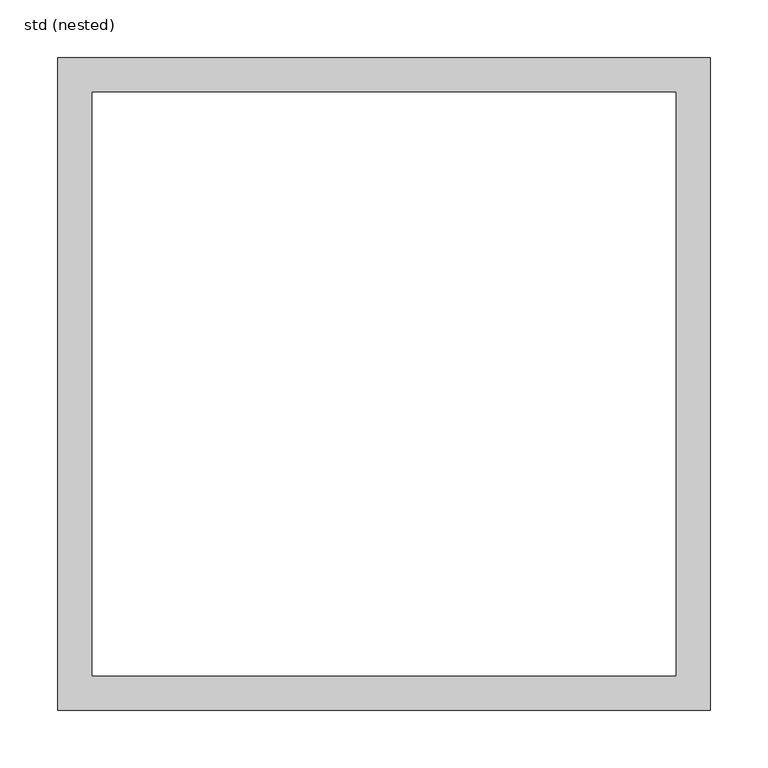
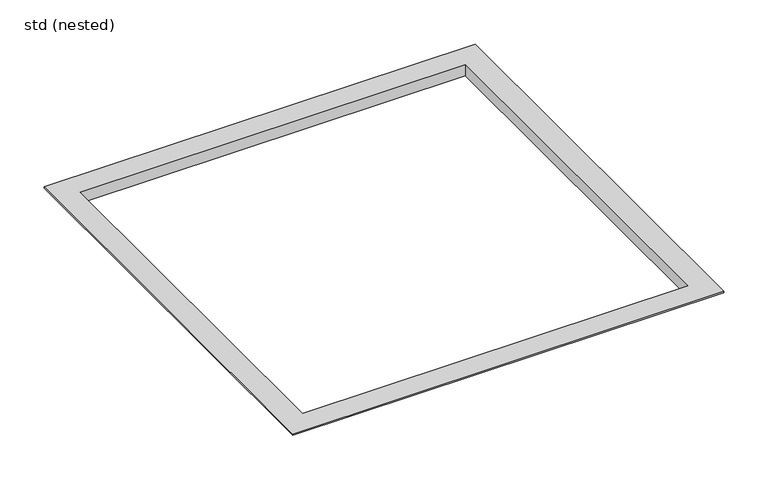
"""IFC4 building model written with IfcOpenShell, lengths in millimetres: furniture geometry, std (nested)."""

from ifc_helpers import new_model, si_unit, origin, place, context, project, spatial, faceted_brep, source, transform, mapped, element, save


def std_nested_dbb9a782(model_context):
    return source(origin(), model_context, "Body", "Brep", [
        faceted_brep([(254.5, 254.5, -15.0), (254.5, 254.5, -2.0), (254.5, -254.5, -2.0), (254.5, -254.5, -15.0), (252.5, 252.5, 0.0), (252.5, 252.5, -15.0), (252.5, -252.5, -15.0), (252.5, -252.5, 0.0), (282.5, 282.5, -2.0), (282.5, 282.5, 0.0), (282.5, -282.5, 0.0), (282.5, -282.5, -2.0), (-254.5, -254.5, -2.0), (-254.5, -254.5, -15.0), (-252.5, -252.5, -15.0), (-252.5, -252.5, 0.0), (-282.5, -282.5, 0.0), (-282.5, -282.5, -2.0), (-254.5, 254.5, -2.0), (-254.5, 254.5, -15.0), (-252.5, 252.5, -15.0), (-252.5, 252.5, 0.0), (-282.5, 282.5, 0.0), (-282.5, 282.5, -2.0)], [[[0, 1, 2, 3]], [[4, 5, 6, 7]], [[8, 9, 10, 11]], [[3, 2, 12, 13]], [[7, 6, 14, 15]], [[11, 10, 16, 17]], [[13, 12, 18, 19]], [[15, 14, 20, 21]], [[17, 16, 22, 23]], [[11, 17, 23, 8], [1, 18, 12, 2]], [[19, 18, 1, 0]], [[3, 13, 19, 0], [5, 20, 14, 6]], [[21, 20, 5, 4]], [[9, 22, 16, 10], [7, 15, 21, 4]], [[23, 22, 9, 8]]]),
    ])


if __name__ == "__main__":
    model = new_model("IFC4")
    model_context = context("Model", 3, world=origin())
    ifc_project = project(units=[si_unit("LENGTHUNIT", "METRE", prefix="MILLI")], contexts=[model_context])
    site = spatial("IfcSite", under=ifc_project)
    building = spatial("IfcBuilding", under=site)
    placement = place(None, origin())
    std_nested_shape = std_nested_dbb9a782(model_context)
    element("IfcFurniture", 1, ObjectType="std (nested)", at=placement, inside=building, context=model_context, shape_type="MappedRepresentation", body=[
        mapped(std_nested_shape, transform((0.0, 0.0, 0.0), x_axis=(1.0, 0.0, 0.0), y_axis=(0.0, 1.0, 0.0), z_axis=(0.0, 0.0, 1.0))),
    ])
    save(model, "model.ifc")
